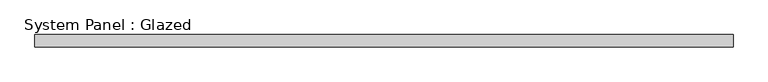
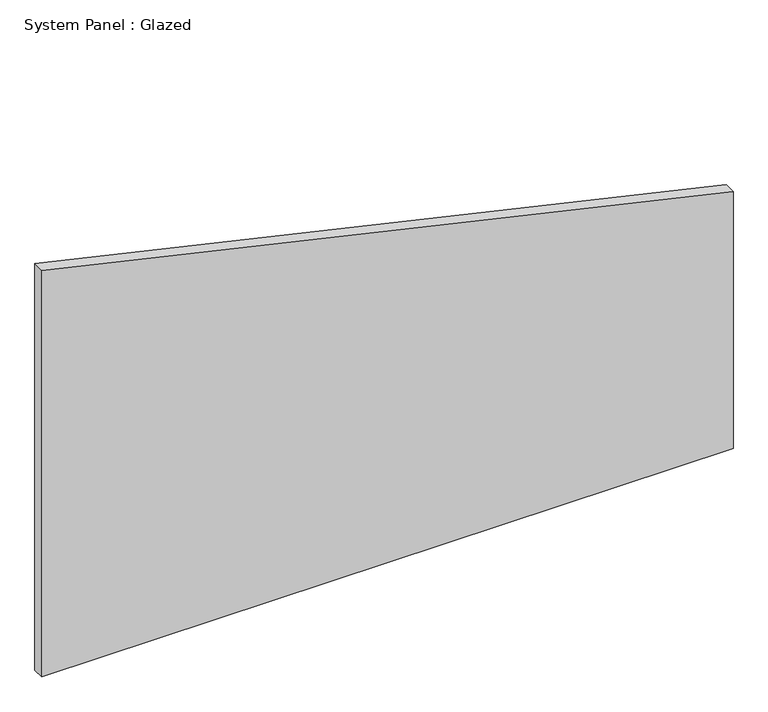
"""IFC4 building model written with IfcOpenShell, lengths in millimetres: plate geometry, System Panel : Glazed."""

from ifc_helpers import new_model, si_unit, frame, origin, place, context, project, spatial, polyline, outline, extrude, source, transform, mapped, element, save


def system_panel_glazed_b742ace9(model_context):
    return source(origin(), model_context, "Body", "SweptSolid", [
        extrude(outline(polyline([(0.0, -722.85), (0.0, 722.85), (567.4845713, 722.85), (899.3786989, -722.85), (0.0, -722.85)])), frame((0.0, 19.05, 0.0), z_axis=(0.0, 1.0, 0.0), x_axis=(0.0, 0.0, 1.0)), (0.0, 0.0, 1.0), 25.4),
    ])


if __name__ == "__main__":
    model = new_model("IFC4")
    model_context = context("Model", 3, world=origin())
    ifc_project = project(units=[si_unit("LENGTHUNIT", "METRE", prefix="MILLI")], contexts=[model_context])
    site = spatial("IfcSite", under=ifc_project)
    building = spatial("IfcBuilding", under=site)
    placement = place(None, origin())
    system_panel_glazed_shape = system_panel_glazed_b742ace9(model_context)
    element("IfcPlate", 1, ObjectType="System Panel : Glazed", at=placement, inside=building, context=model_context, shape_type="MappedRepresentation", body=[
        mapped(system_panel_glazed_shape, transform((0.0, 0.0, 0.0), x_axis=(1.0, 0.0, 0.0), y_axis=(0.0, 1.0, 0.0), z_axis=(0.0, 0.0, 1.0))),
    ])
    save(model, "model.ifc")
